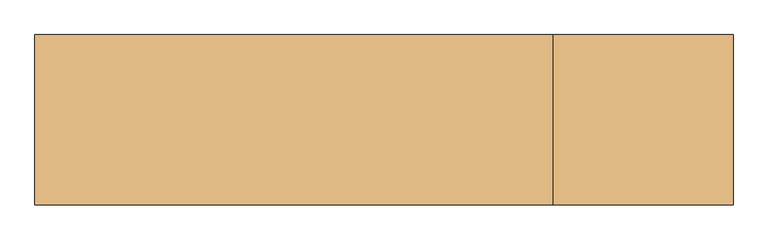
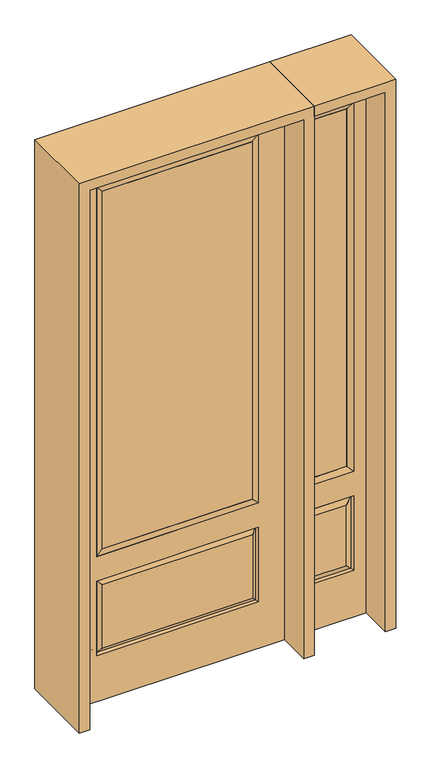
"""IFC4 building model written with IfcOpenShell, lengths in millimetres: door geometry."""

import ifcopenshell
import ifcopenshell.guid

model = None  # the IFC model being written
_history = None  # IfcOwnerHistory: only IFC2X3 demands one
_inside = {}  # id of a spatial element -> (the spatial element, [elements in it])
_under = {}  # id of a project, library or spatial element -> (it, [spatial elements below it])
_declared = {}  # id of a project -> (the project, [libraries it declares])
_typed = {}  # id of a type object -> (the type object, [elements of that type])
_made_of = {}  # id of a material, layer set ... -> (it, [elements and type objects made of it])


def new_model(schema):
    """Start an empty IFC model of exactly this schema.

    Asked for "IFC4X3", IfcOpenShell would pick the latest addendum, in which some entities
    have other attributes; the version numbers below select the first issue.
    IFC2X3 requires an IfcOwnerHistory on every rooted entity: one is made here for all.
    """
    global model, _history
    if schema == "IFC4X3":
        model = ifcopenshell.file(schema_version=(4, 3, 0, 0))
    else:
        model = ifcopenshell.file(schema=schema)
    _inside.clear()
    _under.clear()
    _declared.clear()
    _typed.clear()
    _made_of.clear()
    _history = None
    if model.schema == "IFC2X3":
        org = make("IfcOrganization", Name="unknown")
        user = make(
            "IfcPersonAndOrganization",
            ThePerson=make("IfcPerson", FamilyName="unknown"),
            TheOrganization=org,
        )
        app = make(
            "IfcApplication",
            ApplicationDeveloper=org,
            Version="unknown",
            ApplicationFullName="unknown",
            ApplicationIdentifier="unknown",
        )
        _history = make(
            "IfcOwnerHistory",
            OwningUser=user,
            OwningApplication=app,
            ChangeAction="ADDED",
            CreationDate=0,
        )
    return model


def make(cls, **values):
    """One entity of the class cls with the attributes given. An attribute that is None is left unset."""
    return model.create_entity(
        cls, **{name: value for name, value in values.items() if value is not None}
    )


def rooted(cls, **values):
    """An entity with a GlobalId (a new one), such as an element, a storey or a relation."""
    return make(cls, GlobalId=ifcopenshell.guid.new(), OwnerHistory=_history, **values)


def si_unit(unit_type, name, prefix=None):
    """IfcSIUnit, for example si_unit("LENGTHUNIT", "METRE", prefix="MILLI")."""
    return make("IfcSIUnit", UnitType=unit_type, Prefix=prefix, Name=name)


def assignment(units):
    """IfcUnitAssignment: the units of a project."""
    return None if units is None else make("IfcUnitAssignment", Units=units)


def point(xyz):
    """IfcCartesianPoint."""
    return None if xyz is None else make("IfcCartesianPoint", Coordinates=xyz)


def direction(xyz):
    """IfcDirection."""
    return None if xyz is None else make("IfcDirection", DirectionRatios=xyz)


def frame(location, z_axis=None, x_axis=None):
    """IfcAxis2Placement3D, a coordinate frame: its origin and axes. An axis left out is left unset."""
    return make(
        "IfcAxis2Placement3D",
        Location=point(location),
        Axis=direction(z_axis),
        RefDirection=direction(x_axis),
    )


def origin():
    """The frame at (0, 0, 0) with its axes left unset."""
    return frame((0.0, 0.0, 0.0))


def place(relative_to, where):
    """IfcLocalPlacement: puts the frame where relative to a parent placement (None: the world)."""
    return make(
        "IfcLocalPlacement", PlacementRelTo=relative_to, RelativePlacement=where
    )


def context(
    kind, dimensions, precision=None, world=None, true_north=None, identifier=None
):
    """IfcGeometricRepresentationContext, for example the 3D "Model" context."""
    return make(
        "IfcGeometricRepresentationContext",
        ContextIdentifier=identifier,
        ContextType=kind,
        CoordinateSpaceDimension=dimensions,
        Precision=precision,
        WorldCoordinateSystem=world,
        TrueNorth=true_north,
    )


def project(units=None, contexts=None):
    """IfcProject with its units and contexts."""
    return rooted(
        "IfcProject",
        Name="project",
        RepresentationContexts=contexts,
        UnitsInContext=assignment(units),
    )


def spatial(cls, under=None, at=None, **own):
    """A site, building, storey or space (cls), placed at a placement, below another one or the project."""
    s = rooted(cls, ObjectPlacement=at, **own)
    if under is not None:
        _under.setdefault(under.id(), (under, []))[1].append(s)
    return s


def polyline(points):
    """IfcPolyline through the points."""
    return make("IfcPolyline", Points=[point(p) for p in points])


def outline(outer, holes=None, kind="AREA"):
    """IfcArbitraryClosedProfileDef: a profile drawn as a closed curve; with holes, ...WithVoids."""
    if holes is None:
        return make("IfcArbitraryClosedProfileDef", ProfileType=kind, OuterCurve=outer)
    return make(
        "IfcArbitraryProfileDefWithVoids",
        ProfileType=kind,
        OuterCurve=outer,
        InnerCurves=holes,
    )


def extrude(swept, where, along, depth):
    """IfcExtrudedAreaSolid: the profile swept, set in the frame where, extruded along a direction by depth."""
    return make(
        "IfcExtrudedAreaSolid",
        SweptArea=swept,
        Position=where,
        ExtrudedDirection=direction(along),
        Depth=depth,
    )


def faces_of(points, faces, orient=None, outer=None):
    """IfcFace entities. A face is a list of loops; a loop is a list of indices into points, from 0.

    orient and outer hold one flag for each loop. By default every Orientation is true, the
    first loop of a face is its IfcFaceOuterBound and the others are IfcFaceBound.
    """
    made = []
    for i, loops in enumerate(faces):
        bounds = []
        for j, loop in enumerate(loops):
            is_outer = j == 0 if outer is None else outer[i][j]
            bounds.append(
                make(
                    "IfcFaceOuterBound" if is_outer else "IfcFaceBound",
                    Bound=make("IfcPolyLoop", Polygon=[points[k] for k in loop]),
                    Orientation=True if orient is None else orient[i][j],
                )
            )
        made.append(make("IfcFace", Bounds=bounds))
    return made


def faceted_brep(points, faces, orient=None, outer=None, voids=None):
    """IfcFacetedBrep: a solid bounded by flat faces; with voids (closed shells), ...WithVoids."""
    shared = [point(p) for p in points]
    hull = make("IfcClosedShell", CfsFaces=faces_of(shared, faces, orient, outer))
    if voids is None:
        return make("IfcFacetedBrep", Outer=hull)
    return make(
        "IfcFacetedBrepWithVoids",
        Outer=hull,
        Voids=[
            make(cls, CfsFaces=faces_of(shared, fs, o, b)) for cls, fs, o, b in voids
        ],
    )


def shape(context_of_items, identifier, shape_type, items):
    """IfcShapeRepresentation: the items that make up one representation, for example the "Body"."""
    return make(
        "IfcShapeRepresentation",
        ContextOfItems=context_of_items,
        RepresentationIdentifier=identifier,
        RepresentationType=shape_type,
        Items=items,
    )


def source(mapping_origin, context_of_items, identifier, shape_type, items):
    """IfcRepresentationMap: a shape defined once, which mapped items show again and again."""
    return make(
        "IfcRepresentationMap",
        MappingOrigin=mapping_origin,
        MappedRepresentation=shape(context_of_items, identifier, shape_type, items),
    )


def transform(
    local_origin,
    x_axis=None,
    y_axis=None,
    z_axis=None,
    scale=None,
    scale2=None,
    scale3=None,
    uniform=True,
):
    """IfcCartesianTransformationOperator3D, or its non-uniform kind. x_axis, y_axis, z_axis: its Axis1, 2, 3."""
    if uniform:
        return make(
            "IfcCartesianTransformationOperator3D",
            Axis1=direction(x_axis),
            Axis2=direction(y_axis),
            LocalOrigin=point(local_origin),
            Scale=scale,
            Axis3=direction(z_axis),
        )
    return make(
        "IfcCartesianTransformationOperator3DnonUniform",
        Axis1=direction(x_axis),
        Axis2=direction(y_axis),
        LocalOrigin=point(local_origin),
        Scale=scale,
        Axis3=direction(z_axis),
        Scale2=scale2,
        Scale3=scale3,
    )


def mapped(mapping_source, mapping_target):
    """IfcMappedItem: shows the shape of a source again, moved by a transform."""
    return make(
        "IfcMappedItem", MappingSource=mapping_source, MappingTarget=mapping_target
    )


def made_of(thing, what):
    """Note that an element or type object is made of a material, layer set ...; save() writes the relation."""
    if what is not None:
        _made_of.setdefault(what.id(), (what, []))[1].append(thing)
    return thing


def element(
    cls,
    number,
    at=None,
    inside=None,
    cuts=None,
    type_object=None,
    material=None,
    context=None,
    identifier="Body",
    shape_type=None,
    held_by="IfcProductDefinitionShape",
    body=None,
    shapes=None,
    **own,
):
    """One element of the class cls, such as IfcWall. Its Tag is "e" and its number.

    at: its placement. inside: the storey or other place that contains it. cuts: it is an
    opening in that element (IfcRelVoidsElement). A single representation is given by context,
    identifier, shape_type and body (its items); several are given by shapes. held_by: the class
    of the entity that holds the representations. save() writes the other relations.
    """
    e = rooted(cls, Tag="e%d" % number, ObjectPlacement=at, **own)
    if body is not None:
        shapes = [shape(context, identifier, shape_type, body)]
    if shapes is not None:
        e.Representation = make(held_by, Representations=shapes)
    if inside is not None:
        _inside.setdefault(inside.id(), (inside, []))[1].append(e)
    if cuts is not None:
        rooted(
            "IfcRelVoidsElement", RelatingBuildingElement=cuts, RelatedOpeningElement=e
        )
    if type_object is not None:
        _typed.setdefault(type_object.id(), (type_object, []))[1].append(e)
    return made_of(e, material)


def aggregate(whole, parts):
    """IfcRelAggregates: a whole, such as a stair, and the parts it consists of."""
    return rooted("IfcRelAggregates", RelatingObject=whole, RelatedObjects=parts)


def save(model, path):
    """Write the relations noted so far, then the file.

    IfcRelAggregates (storeys below a building ...), IfcRelContainedInSpatialStructure (elements
    in a storey), IfcRelDefinesByType, IfcRelAssociatesMaterial and IfcRelDeclares: one each for
    every whole, place, type object, material and project.
    """
    for whole, parts in _under.values():
        aggregate(whole, parts)
    for where, things in _inside.values():
        rooted(
            "IfcRelContainedInSpatialStructure",
            RelatedElements=things,
            RelatingStructure=where,
        )
    for kind, things in _typed.values():
        rooted("IfcRelDefinesByType", RelatedObjects=things, RelatingType=kind)
    for what, things in _made_of.values():
        rooted("IfcRelAssociatesMaterial", RelatedObjects=things, RelatingMaterial=what)
    for by, libraries in _declared.values():
        rooted("IfcRelDeclares", RelatingContext=by, RelatedDefinitions=libraries)
    model.write(path)


def door_ab37d4a8(model_context):
    return source(origin(), model_context, "Body", "SolidModel", [
        faceted_brep([(501.65, -22.225, 0.0), (806.45, -22.225, 0.0), (806.45, -22.225, 2438.4), (501.65, -22.225, 2438.4), (754.38, -22.225, 2325.624), (754.38, -22.225, 657.098), (553.72, -22.225, 657.098), (553.72, -22.225, 2325.624), (754.38, -22.225, 209.55), (553.72, -22.225, 209.55), (553.72, -22.225, 546.1), (754.38, -22.225, 546.1), (585.4351001, -22.225, 241.2651001), (722.6648999, -22.225, 241.2651001), (722.6648999, -22.225, 514.3848999), (585.4351001, -22.225, 514.3848999), (501.65, 22.225, 0.0), (501.65, 22.225, 2438.4), (806.45, 22.225, 2438.4), (806.45, 22.225, 0.0), (754.38, 22.225, 2325.624), (553.72, 22.225, 2325.624), (553.72, 22.225, 657.098), (754.38, 22.225, 657.098), (553.72, 22.225, 209.55), (754.38, 22.225, 209.55), (754.38, 22.225, 546.1), (553.72, 22.225, 546.1), (722.6648999, 22.225, 241.2651001), (585.4351001, 22.225, 241.2651001), (585.4351001, 22.225, 514.3848999), (722.6648999, 22.225, 514.3848999), (747.2711499, 12.7912373, 216.6588501), (560.8288501, 12.7912373, 216.6588501), (560.8288501, 12.7912373, 538.9911499), (747.2711499, 12.7912373, 538.9911499), (560.8288501, -12.7912373, 216.6588501), (747.2711499, -12.7912373, 216.6588501), (560.8288501, -12.7912373, 538.9911499), (747.2711499, -12.7912373, 538.9911499)], [[[0, 1, 2, 3], [4, 5, 6, 7], [8, 9, 10, 11]], [[12, 13, 14, 15]], [[16, 17, 18, 19], [20, 21, 22, 23], [24, 25, 26, 27]], [[28, 29, 30, 31]], [[1, 0, 16, 19]], [[2, 1, 19, 18]], [[3, 2, 18, 17]], [[0, 3, 17, 16]], [[5, 4, 20, 23]], [[6, 5, 23, 22]], [[7, 6, 22, 21]], [[4, 7, 21, 20]], [[32, 33, 29, 28]], [[33, 32, 25, 24]], [[29, 33, 34, 30]], [[33, 24, 27, 34]], [[30, 34, 35, 31]], [[34, 27, 26, 35]], [[32, 28, 31, 35]], [[25, 32, 35, 26]], [[12, 36, 37, 13]], [[37, 36, 9, 8]], [[36, 12, 15, 38]], [[9, 36, 38, 10]], [[38, 15, 14, 39]], [[10, 38, 39, 11]], [[13, 37, 39, 14]], [[37, 8, 11, 39]]]),
        faceted_brep([(553.72, 22.225, 2325.624), (553.72, -22.225, 2325.624), (754.38, -22.225, 2325.624), (754.38, 22.225, 2325.624), (579.12, 12.7, 2300.224), (728.98, 12.7, 2300.224), (579.12, -12.7, 2300.224), (728.98, -12.7, 2300.224), (754.38, -22.225, 657.098), (754.38, 22.225, 657.098), (728.98, 12.7, 682.498), (728.98, -12.7, 682.498), (553.72, -22.225, 657.098), (553.72, 22.225, 657.098), (579.12, 12.7, 682.498), (579.12, -12.7, 682.498)], [[[0, 1, 2, 3]], [[4, 0, 3, 5]], [[6, 4, 5, 7]], [[1, 6, 7, 2]], [[3, 2, 8, 9]], [[5, 3, 9, 10]], [[7, 5, 10, 11]], [[2, 7, 11, 8]], [[9, 8, 12, 13]], [[10, 9, 13, 14]], [[11, 10, 14, 15]], [[8, 11, 15, 12]], [[13, 12, 1, 0]], [[14, 13, 0, 4]], [[15, 14, 4, 6]], [[12, 15, 6, 1]]]),
        extrude(outline(polyline([(728.98, -12.7), (579.12, -12.7), (579.12, 12.7), (728.98, 12.7), (728.98, -12.7)])), frame((0.0, 0.0, 682.498), z_axis=(0.0, 0.0, 1.0), x_axis=(1.0, 0.0, 0.0)), (0.0, 0.0, 1.0), 1617.726),
        extrude(outline(polyline([(320.675, -20.32), (-320.675, -20.32), (-320.675, 5.08), (320.675, 5.08), (320.675, -20.32)])), frame((0.0, 0.0, 682.498), z_axis=(0.0, 0.0, 1.0), x_axis=(1.0, 0.0, 0.0)), (0.0, 0.0, 1.0), 1616.202),
        faceted_brep([(-338.9661499, -12.7912373, 216.6588501), (338.9661499, -12.7912373, 216.6588501), (321.46875, -22.225, 234.15625), (-321.46875, -22.225, 234.15625), (-346.075, -22.225, 209.55), (346.075, -22.225, 209.55), (-338.9661499, -12.7912373, 538.9911499), (-346.075, -22.225, 546.1), (321.46875, -22.225, 521.49375), (-321.46875, -22.225, 521.49375), (457.2, -22.225, 2438.4), (-457.2, -22.225, 2438.4), (-457.2, -22.225, 0.0), (457.2, -22.225, 0.0), (346.075, -22.225, 546.1), (346.075, -22.225, 2324.1), (346.075, -22.225, 657.098), (-346.075, -22.225, 657.098), (-346.075, -22.225, 2324.1), (338.9661499, -12.7912373, 538.9911499), (-457.2, 22.225, 2438.4), (-457.2, 22.225, 0.0), (457.2, 22.225, 0.0), (457.2, 22.225, 2438.4), (346.075, 22.225, 2324.1), (346.075, 22.225, 657.098), (-346.075, 22.225, 657.098), (-346.075, 22.225, 2324.1), (-346.075, 22.225, 209.55), (346.075, 22.225, 209.55), (346.075, 22.225, 546.1), (-346.075, 22.225, 546.1), (321.46875, 22.225, 234.15625), (-321.46875, 22.225, 234.15625), (-321.46875, 22.225, 521.49375), (321.46875, 22.225, 521.49375), (-338.9661499, 12.7912373, 216.6588501), (338.9661499, 12.7912373, 216.6588501), (338.9661499, 12.7912373, 538.9911499), (-338.9661499, 12.7912373, 538.9911499)], [[[0, 1, 2, 3]], [[1, 0, 4, 5]], [[4, 0, 6, 7]], [[3, 2, 8, 9]], [[10, 11, 12, 13], [5, 4, 7, 14], [15, 16, 17, 18]], [[1, 5, 14, 19]], [[2, 1, 19, 8]], [[0, 3, 9, 6]], [[7, 6, 19, 14]], [[6, 9, 8, 19]], [[12, 11, 20, 21]], [[13, 12, 21, 22]], [[10, 13, 22, 23]], [[16, 15, 24, 25]], [[17, 16, 25, 26]], [[18, 17, 26, 27]], [[23, 22, 21, 20], [28, 29, 30, 31], [24, 27, 26, 25]], [[32, 33, 34, 35]], [[28, 36, 37, 29]], [[29, 37, 38, 30]], [[39, 31, 30, 38]], [[36, 28, 31, 39]], [[37, 36, 33, 32]], [[33, 36, 39, 34]], [[34, 39, 38, 35]], [[37, 32, 35, 38]], [[11, 10, 23, 20]], [[15, 18, 27, 24]]]),
        faceted_brep([(-346.075, -22.225, 2324.1), (-346.075, 22.225, 2324.1), (-346.075, 22.225, 657.098), (-346.075, -22.225, 657.098), (346.075, 22.225, 657.098), (346.075, -22.225, 657.098), (-320.675, 5.08, 682.498), (320.675, 5.08, 682.498), (346.075, 22.225, 2324.1), (346.075, -22.225, 2324.1), (-320.675, -20.32, 682.498), (320.675, -20.32, 682.498), (-320.675, -20.32, 2298.7), (320.675, -20.32, 2298.7), (-320.675, 5.08, 2298.7), (320.675, 5.08, 2298.7)], [[[0, 1, 2, 3]], [[3, 2, 4, 5]], [[2, 6, 7, 4]], [[5, 4, 8, 9]], [[10, 3, 5, 11]], [[12, 0, 3, 10]], [[11, 5, 9, 13]], [[6, 10, 11, 7]], [[14, 12, 10, 6]], [[7, 11, 13, 15]], [[1, 14, 6, 2]], [[4, 7, 15, 8]], [[9, 8, 1, 0]], [[13, 9, 0, 12]], [[15, 13, 12, 14]], [[8, 15, 14, 1]]]),
        extrude(outline(polyline([(2482.85, -501.65), (0.0, -501.65), (0.0, -457.2), (2438.4, -457.2), (2438.4, 457.2), (0.0, 457.2), (0.0, 501.65), (2482.85, 501.65), (2482.85, -501.65)])), frame((0.0, -165.1, 0.0), z_axis=(0.0, 1.0, 0.0), x_axis=(0.0, 0.0, 1.0)), (0.0, 0.0, 1.0), 330.2),
        extrude(outline(polyline([(0.0, 806.45), (0.0, 850.9), (2482.85, 850.9), (2482.85, 501.65), (2438.4, 501.65), (2438.4, 806.45), (0.0, 806.45)])), frame((0.0, -165.1, 0.0), z_axis=(0.0, 1.0, 0.0), x_axis=(0.0, 0.0, 1.0)), (0.0, 0.0, 1.0), 330.2),
    ])


if __name__ == "__main__":
    model = new_model("IFC4")
    model_context = context("Model", 3, world=origin())
    ifc_project = project(units=[si_unit("LENGTHUNIT", "METRE", prefix="MILLI")], contexts=[model_context])
    site = spatial("IfcSite", under=ifc_project)
    building = spatial("IfcBuilding", under=site)
    placement = place(None, origin())
    door_shape = door_ab37d4a8(model_context)
    element("IfcDoor", 1, at=placement, inside=building, context=model_context, shape_type="MappedRepresentation", body=[
        mapped(door_shape, transform((0.0, 0.0, 0.0), x_axis=(1.0, 0.0, 0.0), y_axis=(0.0, 1.0, 0.0), z_axis=(0.0, 0.0, 1.0))),
    ])
    save(model, "model.ifc")
